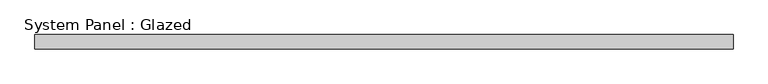
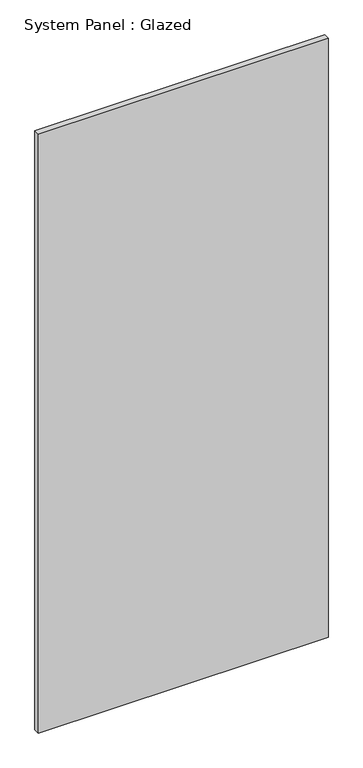
"""IFC4 building model written with IfcOpenShell, lengths in millimetres: plate geometry, System Panel : Glazed."""

from ifc_helpers import new_model, si_unit, origin, origin_with_axes, place, context, project, spatial, polyline, outline, extrude, source, transform, mapped, element, save


def system_panel_glazed_22130d5a(model_context):
    return source(origin(), model_context, "Body", "SweptSolid", [
        extrude(outline(polyline([(615.95, 19.05), (-615.95, 19.05), (-615.95, 44.45), (615.95, 44.45), (615.95, 19.05)])), origin_with_axes(), (0.0, 0.0, 1.0), 2692.4),
    ])


if __name__ == "__main__":
    model = new_model("IFC4")
    model_context = context("Model", 3, world=origin())
    ifc_project = project(units=[si_unit("LENGTHUNIT", "METRE", prefix="MILLI")], contexts=[model_context])
    site = spatial("IfcSite", under=ifc_project)
    building = spatial("IfcBuilding", under=site)
    placement = place(None, origin())
    system_panel_glazed_shape = system_panel_glazed_22130d5a(model_context)
    element("IfcPlate", 1, ObjectType="System Panel : Glazed", at=placement, inside=building, context=model_context, shape_type="MappedRepresentation", body=[
        mapped(system_panel_glazed_shape, transform((0.0, 0.0, 0.0), x_axis=(1.0, 0.0, 0.0), y_axis=(0.0, 1.0, 0.0), z_axis=(0.0, 0.0, 1.0))),
    ])
    save(model, "model.ifc")
